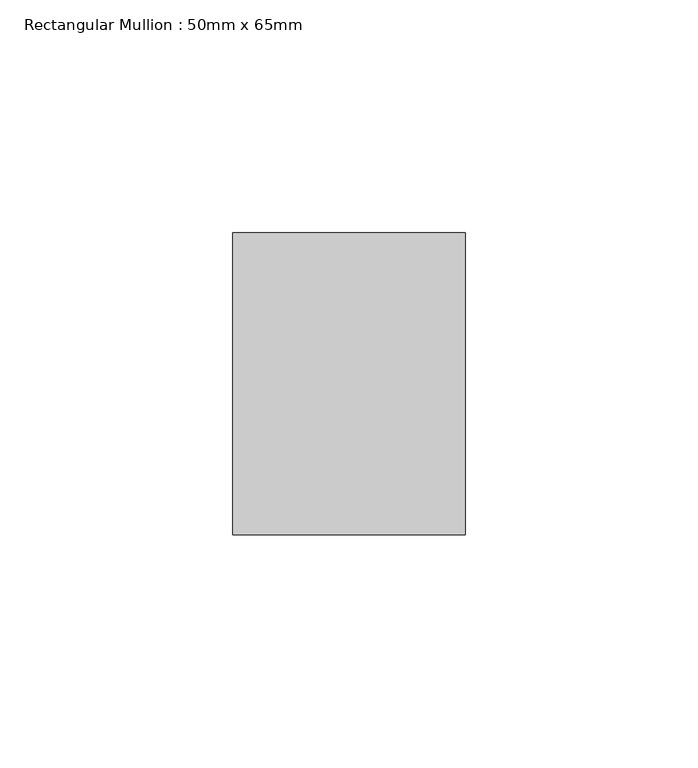
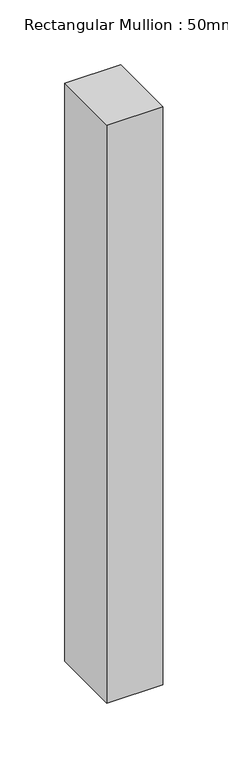
"""IFC4 building model written with IfcOpenShell, lengths in millimetres: member geometry, Rectangular Mullion : 50mm x 65mm."""

from ifc_helpers import new_model, si_unit, frame, origin, place, context, project, spatial, polyline, outline, extrude, source, transform, mapped, element, save


def rectangular_mullion_50mm_x_65mm_bfc5be37(model_context):
    return source(origin(), model_context, "Body", "SweptSolid", [
        extrude(outline(polyline([(0.0, 32.5), (0.0, -32.5), (-50.0, -32.5), (-50.0, 32.5), (0.0, 32.5)])), frame((0.0, 0.0, -545.1239731), z_axis=(0.0, 0.0, 1.0), x_axis=(1.0, 0.0, 0.0)), (0.0, 0.0, 1.0), 545.1239731),
    ])


if __name__ == "__main__":
    model = new_model("IFC4")
    model_context = context("Model", 3, world=origin())
    ifc_project = project(units=[si_unit("LENGTHUNIT", "METRE", prefix="MILLI")], contexts=[model_context])
    site = spatial("IfcSite", under=ifc_project)
    building = spatial("IfcBuilding", under=site)
    placement = place(None, origin())
    rectangular_mullion_50mm_x_65mm_shape = rectangular_mullion_50mm_x_65mm_bfc5be37(model_context)
    element("IfcMember", 1, ObjectType="Rectangular Mullion : 50mm x 65mm", at=placement, inside=building, context=model_context, shape_type="MappedRepresentation", body=[
        mapped(rectangular_mullion_50mm_x_65mm_shape, transform((0.0, 0.0, 0.0), x_axis=(1.0, 0.0, 0.0), y_axis=(0.0, 1.0, 0.0), z_axis=(0.0, 0.0, 1.0))),
    ])
    save(model, "model.ifc")
